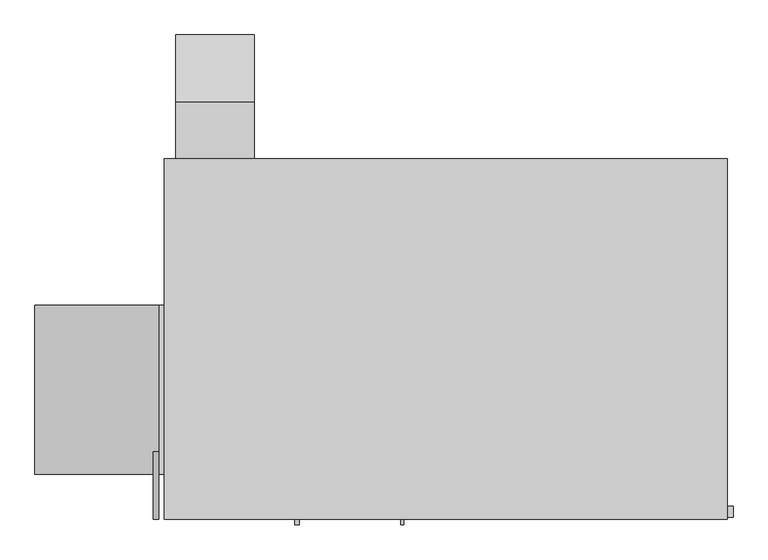
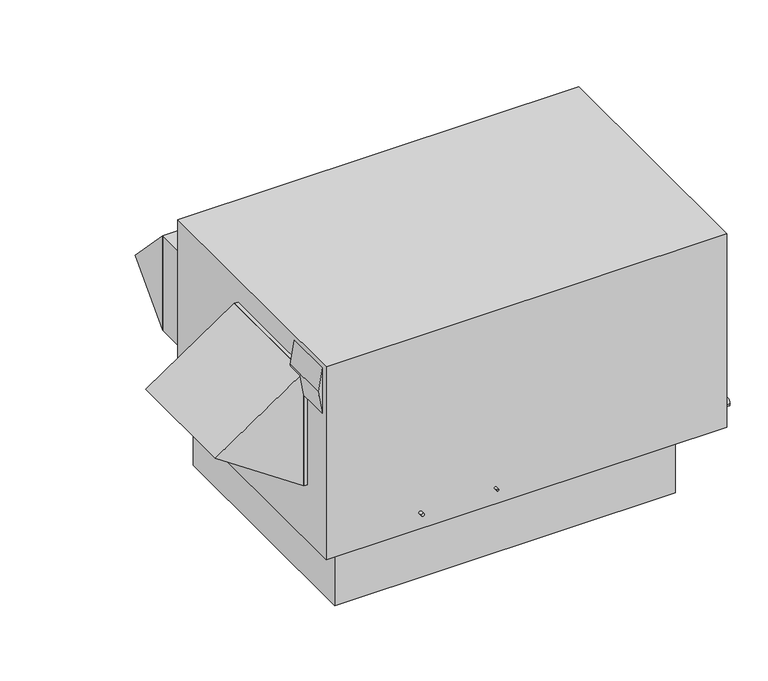
"""IFC4 building model written with IfcOpenShell, lengths in millimetres: proxy geometry."""

from ifc_helpers import new_model, si_unit, frame, origin, place, context, project, spatial, polyline, circle_curve, outline, extrude, source, transform, mapped, element, save
from ifc_brep_helpers import plane_surface, cylinder_surface, advanced_brep


def mechanical_equipment_22f79fff(model_context):
    return source(origin(), model_context, "Body", "SolidModel", [
        extrude(outline(polyline([(990.6, -2565.4), (1295.4, -2565.4), (1143.0, -2590.8), (990.6, -2565.4)])), frame((0.0, 0.0, 0.0), z_axis=(0.0, 1.0, 0.0), x_axis=(0.0, 0.0, 1.0)), (0.0, 0.0, 1.0), 304.8),
        extrude(outline(polyline([(381.0, -2565.4), (1143.0, -2565.4), (762.0, -3124.2), (381.0, -2565.4)])), frame((0.0, 203.2, 0.0), z_axis=(0.0, 1.0, 0.0), x_axis=(0.0, 0.0, 1.0)), (0.0, 0.0, 1.0), 762.0),
        extrude(outline(polyline([(-2565.4, 203.2), (-2565.4, 965.2), (-2540.0, 965.2), (-2540.0, 203.2), (-2565.4, 203.2)])), frame((0.0, 0.0, 381.0), z_axis=(0.0, 0.0, 1.0), x_axis=(1.0, 0.0, 0.0)), (0.0, 0.0, 1.0), 762.0),
        extrude(outline(polyline([(1879.6, 381.0), (1879.6, 1016.0), (2184.4, 698.5), (1879.6, 381.0)])), frame((-2489.2, 0.0, 0.0), z_axis=(1.0, 0.0, 0.0), x_axis=(0.0, 1.0, 0.0)), (0.0, 0.0, 1.0), 355.6),
        extrude(outline(polyline([(-2489.2, 1879.6), (-2133.6, 1879.6), (-2133.6, 1625.6), (-2489.2, 1625.6), (-2489.2, 1879.6)])), frame((0.0, 0.0, 381.0), z_axis=(0.0, 0.0, 1.0), x_axis=(1.0, 0.0, 0.0)), (0.0, 0.0, 1.0), 635.0),
        extrude(outline(polyline([(-304.8, 1587.5), (-304.8, 38.1), (-2463.8, 38.1), (-2463.8, 1587.5), (-304.8, 1587.5)])), frame((0.0, 0.0, -355.6), z_axis=(0.0, 0.0, 1.0), x_axis=(1.0, 0.0, 0.0)), (0.0, 0.0, 1.0), 355.6),
        advanced_brep(
        [(0.0, 1625.6, 1295.4), (-2540.0, 1625.6, 1295.4), (-2540.0, 0.0, 1295.4), (0.0, 0.0, 1295.4), (0.0, 1625.6, 0.0), (0.0, 0.0, 0.0), (-2540.0, 0.0, 0.0), (-2540.0, 1625.6, 0.0), (-1981.2, 1524.0, 0.0), (-2438.4, 1524.0, 0.0), (-2438.4, 711.2, 0.0), (-1981.2, 711.2, 0.0), (-1270.0, 1524.0, 0.0), (-1727.2, 1524.0, 0.0), (-1727.2, 660.4, 0.0), (-1270.0, 660.4, 0.0), (-1460.5, 0.0, 107.95), (-1473.2, 0.0, 107.95), (-1931.9875, 0.0, 107.95), (-1951.0375, 0.0, 107.95), (0.0, 58.7375, 142.875), (0.0, 7.9375, 142.875), (-1981.2, 1524.0, 107.95), (-1981.2, 711.2, 107.95), (-2438.4, 711.2, 107.95), (-2438.4, 1524.0, 107.95), (-1270.0, 1524.0, 107.95), (-1270.0, 660.4, 107.95), (-1727.2, 660.4, 107.95), (-1727.2, 1524.0, 107.95), (-1473.2, -25.5724411, 107.95), (-1460.5, -25.5724411, 107.95), (25.4, 7.9375, 142.875), (25.4, 58.7375, 142.875), (-1951.0375, -25.5724411, 107.95), (-1931.9875, -25.5724411, 107.95)],
        [
            (0, 1),
            (1, 2),
            (2, 3),
            (3, 0),
            (4, 5),
            (5, 6),
            (6, 7),
            (7, 4),
            (8, 9),
            (9, 10),
            (10, 11),
            (11, 8),
            (12, 13),
            (13, 14),
            (14, 15),
            (15, 12),
            (0, 4),
            (7, 1),
            (6, 2),
            (5, 3),
            (16, 17, circle_curve(frame((-1466.85, 0.0, 107.95), z_axis=(0.0, 1.0, 0.0), x_axis=(1.0, 0.0, 0.0)), 6.35)),
            (17, 16, circle_curve(frame((-1466.85, 0.0, 107.95), z_axis=(0.0, 1.0, 0.0), x_axis=(1.0, 0.0, 0.0)), 6.35)),
            (18, 19, circle_curve(frame((-1941.5125, 0.0, 107.95), z_axis=(0.0, 1.0, 0.0), x_axis=(1.0, 0.0, 0.0)), 9.525)),
            (19, 18, circle_curve(frame((-1941.5125, 0.0, 107.95), z_axis=(0.0, 1.0, 0.0), x_axis=(1.0, 0.0, 0.0)), 9.525)),
            (20, 21, circle_curve(frame((0.0, 33.3375, 142.875), z_axis=(-1.0, 0.0, 0.0), x_axis=(0.0, 1.0, 0.0)), 25.4)),
            (21, 20, circle_curve(frame((0.0, 33.3375, 142.875), z_axis=(-1.0, 0.0, 0.0), x_axis=(0.0, 1.0, 0.0)), 25.4)),
            (22, 23),
            (23, 24),
            (24, 25),
            (25, 22),
            (26, 27),
            (27, 28),
            (28, 29),
            (29, 26),
            (25, 9),
            (8, 22),
            (24, 10),
            (23, 11),
            (29, 13),
            (12, 26),
            (28, 14),
            (27, 15),
            (30, 31, circle_curve(frame((-1466.85, -25.5724411, 107.95), z_axis=(0.0, -1.0, 0.0), x_axis=(1.0, 0.0, 0.0)), 6.35)),
            (31, 30, circle_curve(frame((-1466.85, -25.5724411, 107.95), z_axis=(0.0, -1.0, 0.0), x_axis=(1.0, 0.0, 0.0)), 6.35)),
            (30, 17),
            (16, 31),
            (32, 33, circle_curve(frame((25.4, 33.3375, 142.875), z_axis=(1.0, 0.0, 0.0), x_axis=(0.0, 1.0, 0.0)), 25.4)),
            (33, 32, circle_curve(frame((25.4, 33.3375, 142.875), z_axis=(1.0, 0.0, 0.0), x_axis=(0.0, 1.0, 0.0)), 25.4)),
            (32, 21),
            (20, 33),
            (34, 35, circle_curve(frame((-1941.5125, -25.5724411, 107.95), z_axis=(0.0, -1.0, 0.0), x_axis=(1.0, 0.0, 0.0)), 9.525)),
            (35, 34, circle_curve(frame((-1941.5125, -25.5724411, 107.95), z_axis=(0.0, -1.0, 0.0), x_axis=(1.0, 0.0, 0.0)), 9.525)),
            (34, 19),
            (18, 35),
        ],
        [
            plane_surface(frame((-2540.0, 1625.6, 1295.4), z_axis=(0.0, 0.0, 1.0), x_axis=(-1.0, 0.0, 0.0))),
            plane_surface(frame((-2540.0, 1625.6, 0.0), z_axis=(0.0, 0.0, -1.0), x_axis=(1.0, 0.0, 0.0))),
            plane_surface(frame((0.0, 1625.6, 1295.4), z_axis=(0.0, 1.0, 0.0), x_axis=(0.0, 0.0, -1.0))),
            plane_surface(frame((-2540.0, 1625.6, 1295.4), z_axis=(-1.0, 0.0, 0.0), x_axis=(0.0, 0.0, -1.0))),
            plane_surface(frame((-2540.0, 0.0, 1295.4), z_axis=(0.0, -1.0, 0.0), x_axis=(0.0, 0.0, -1.0))),
            plane_surface(frame((0.0, 0.0, 1295.4), z_axis=(1.0, 0.0, 0.0), x_axis=(0.0, 0.0, -1.0))),
            plane_surface(frame((-2438.4, 1524.0, 107.95), z_axis=(0.0, 0.0, -1.0), x_axis=(-1.0, 0.0, 0.0))),
            plane_surface(frame((-1981.2, 1524.0, 107.95), z_axis=(0.0, -1.0, 0.0), x_axis=(0.0, 0.0, -1.0))),
            plane_surface(frame((-2438.4, 1524.0, 107.95), z_axis=(1.0, 0.0, 0.0), x_axis=(0.0, 0.0, -1.0))),
            plane_surface(frame((-2438.4, 711.2, 107.95), z_axis=(0.0, 1.0, 0.0), x_axis=(0.0, 0.0, -1.0))),
            plane_surface(frame((-1981.2, 711.2, 107.95), z_axis=(-1.0, 0.0, 0.0), x_axis=(0.0, 0.0, -1.0))),
            plane_surface(frame((-1270.0, 1524.0, 107.95), z_axis=(0.0, -1.0, 0.0), x_axis=(0.0, 0.0, -1.0))),
            plane_surface(frame((-1727.2, 1524.0, 107.95), z_axis=(1.0, 0.0, 0.0), x_axis=(0.0, 0.0, -1.0))),
            plane_surface(frame((-1727.2, 660.4, 107.95), z_axis=(0.0, 1.0, 0.0), x_axis=(0.0, 0.0, -1.0))),
            plane_surface(frame((-1270.0, 660.4, 107.95), z_axis=(-1.0, 0.0, 0.0), x_axis=(0.0, 0.0, -1.0))),
            plane_surface(frame((-1460.5, -25.5724411, 107.95), z_axis=(0.0, -1.0, 0.0), x_axis=(0.0, 0.0, 1.0))),
            cylinder_surface(frame((-1466.85, 0.0, 107.95), z_axis=(0.0, -1.0, 0.0), x_axis=(1.0, 0.0, 0.0)), 6.35),
            plane_surface(frame((25.4, 58.7375, 142.875), z_axis=(1.0, 0.0, 0.0), x_axis=(0.0, 0.0, 1.0))),
            cylinder_surface(frame((0.0, 33.3375, 142.875), z_axis=(1.0, 0.0, 0.0), x_axis=(0.0, 1.0, 0.0)), 25.4),
            plane_surface(frame((-1931.9875, -25.5724411, 107.95), z_axis=(0.0, -1.0, 0.0), x_axis=(0.0, 0.0, 1.0))),
            cylinder_surface(frame((-1941.5125, 0.0, 107.95), z_axis=(0.0, -1.0, 0.0), x_axis=(1.0, 0.0, 0.0)), 9.525),
        ],
        [
            (0, [[1, 2, 3, 4]]),
            (1, [[5, 6, 7, 8], [9, 10, 11, 12], [13, 14, 15, 16]]),
            (2, [[-1, 17, -8, 18]]),
            (3, [[-2, -18, -7, 19]]),
            (4, [[-3, -19, -6, 20], [21, 22], [23, 24]]),
            (5, [[-4, -20, -5, -17], [25, 26]]),
            (6, [[27, 28, 29, 30]]),
            (6, [[31, 32, 33, 34]]),
            (7, [[-30, 35, -9, 36]]),
            (8, [[-29, 37, -10, -35]]),
            (9, [[-28, 38, -11, -37]]),
            (10, [[-27, -36, -12, -38]]),
            (11, [[-34, 39, -13, 40]]),
            (12, [[-33, 41, -14, -39]]),
            (13, [[-32, 42, -15, -41]]),
            (14, [[-31, -40, -16, -42]]),
            (15, [[43, 44]]),
            (16, [[-43, 45, -21, 46]]),
            (16, [[-44, -46, -22, -45]]),
            (17, [[47, 48]]),
            (18, [[-47, 49, -25, 50]]),
            (18, [[-48, -50, -26, -49]]),
            (19, [[51, 52]]),
            (20, [[-51, 53, -23, 54]]),
            (20, [[-52, -54, -24, -53]]),
        ],
    ),
    ])


if __name__ == "__main__":
    model = new_model("IFC4")
    model_context = context("Model", 3, world=origin())
    ifc_project = project(units=[si_unit("LENGTHUNIT", "METRE", prefix="MILLI")], contexts=[model_context])
    site = spatial("IfcSite", under=ifc_project)
    building = spatial("IfcBuilding", under=site)
    placement = place(None, origin())
    mechanical_equipment_shape = mechanical_equipment_22f79fff(model_context)
    element("IfcBuildingElementProxy", 1, Name="Mechanical Equipment", at=placement, inside=building, context=model_context, shape_type="MappedRepresentation", body=[
        mapped(mechanical_equipment_shape, transform((0.0, 0.0, 0.0), x_axis=(1.0, 0.0, 0.0), y_axis=(0.0, 1.0, 0.0), z_axis=(0.0, 0.0, 1.0))),
    ])
    save(model, "model.ifc")
